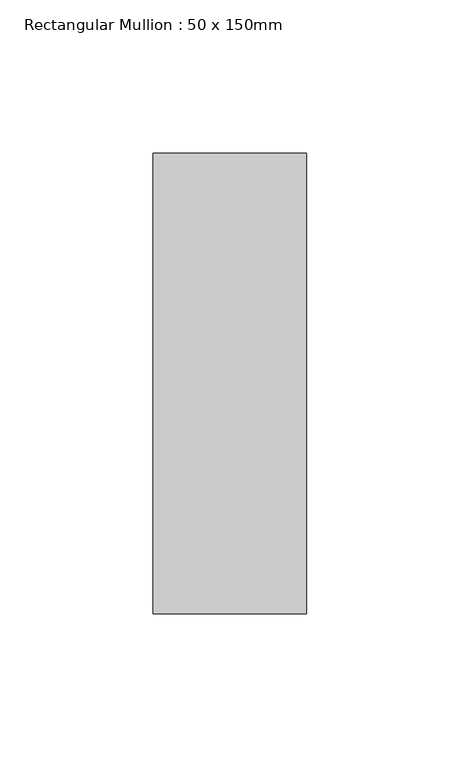
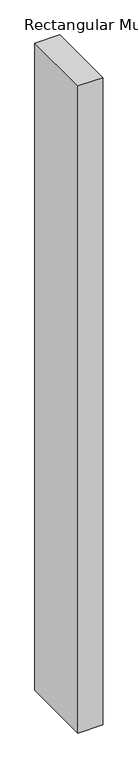
"""IFC4 building model written with IfcOpenShell, lengths in millimetres: member geometry, Rectangular Mullion : 50 x 150mm."""

import ifcopenshell
import ifcopenshell.guid

model = None  # the IFC model being written
_history = None  # IfcOwnerHistory: only IFC2X3 demands one
_inside = {}  # id of a spatial element -> (the spatial element, [elements in it])
_under = {}  # id of a project, library or spatial element -> (it, [spatial elements below it])
_declared = {}  # id of a project -> (the project, [libraries it declares])
_typed = {}  # id of a type object -> (the type object, [elements of that type])
_made_of = {}  # id of a material, layer set ... -> (it, [elements and type objects made of it])


def new_model(schema):
    """Start an empty IFC model of exactly this schema.

    Asked for "IFC4X3", IfcOpenShell would pick the latest addendum, in which some entities
    have other attributes; the version numbers below select the first issue.
    IFC2X3 requires an IfcOwnerHistory on every rooted entity: one is made here for all.
    """
    global model, _history
    if schema == "IFC4X3":
        model = ifcopenshell.file(schema_version=(4, 3, 0, 0))
    else:
        model = ifcopenshell.file(schema=schema)
    _inside.clear()
    _under.clear()
    _declared.clear()
    _typed.clear()
    _made_of.clear()
    _history = None
    if model.schema == "IFC2X3":
        org = make("IfcOrganization", Name="unknown")
        user = make(
            "IfcPersonAndOrganization",
            ThePerson=make("IfcPerson", FamilyName="unknown"),
            TheOrganization=org,
        )
        app = make(
            "IfcApplication",
            ApplicationDeveloper=org,
            Version="unknown",
            ApplicationFullName="unknown",
            ApplicationIdentifier="unknown",
        )
        _history = make(
            "IfcOwnerHistory",
            OwningUser=user,
            OwningApplication=app,
            ChangeAction="ADDED",
            CreationDate=0,
        )
    return model


def make(cls, **values):
    """One entity of the class cls with the attributes given. An attribute that is None is left unset."""
    return model.create_entity(
        cls, **{name: value for name, value in values.items() if value is not None}
    )


def rooted(cls, **values):
    """An entity with a GlobalId (a new one), such as an element, a storey or a relation."""
    return make(cls, GlobalId=ifcopenshell.guid.new(), OwnerHistory=_history, **values)


def si_unit(unit_type, name, prefix=None):
    """IfcSIUnit, for example si_unit("LENGTHUNIT", "METRE", prefix="MILLI")."""
    return make("IfcSIUnit", UnitType=unit_type, Prefix=prefix, Name=name)


def assignment(units):
    """IfcUnitAssignment: the units of a project."""
    return None if units is None else make("IfcUnitAssignment", Units=units)


def point(xyz):
    """IfcCartesianPoint."""
    return None if xyz is None else make("IfcCartesianPoint", Coordinates=xyz)


def direction(xyz):
    """IfcDirection."""
    return None if xyz is None else make("IfcDirection", DirectionRatios=xyz)


def frame(location, z_axis=None, x_axis=None):
    """IfcAxis2Placement3D, a coordinate frame: its origin and axes. An axis left out is left unset."""
    return make(
        "IfcAxis2Placement3D",
        Location=point(location),
        Axis=direction(z_axis),
        RefDirection=direction(x_axis),
    )


def origin():
    """The frame at (0, 0, 0) with its axes left unset."""
    return frame((0.0, 0.0, 0.0))


def place(relative_to, where):
    """IfcLocalPlacement: puts the frame where relative to a parent placement (None: the world)."""
    return make(
        "IfcLocalPlacement", PlacementRelTo=relative_to, RelativePlacement=where
    )


def context(
    kind, dimensions, precision=None, world=None, true_north=None, identifier=None
):
    """IfcGeometricRepresentationContext, for example the 3D "Model" context."""
    return make(
        "IfcGeometricRepresentationContext",
        ContextIdentifier=identifier,
        ContextType=kind,
        CoordinateSpaceDimension=dimensions,
        Precision=precision,
        WorldCoordinateSystem=world,
        TrueNorth=true_north,
    )


def project(units=None, contexts=None):
    """IfcProject with its units and contexts."""
    return rooted(
        "IfcProject",
        Name="project",
        RepresentationContexts=contexts,
        UnitsInContext=assignment(units),
    )


def spatial(cls, under=None, at=None, **own):
    """A site, building, storey or space (cls), placed at a placement, below another one or the project."""
    s = rooted(cls, ObjectPlacement=at, **own)
    if under is not None:
        _under.setdefault(under.id(), (under, []))[1].append(s)
    return s


def polyline(points):
    """IfcPolyline through the points."""
    return make("IfcPolyline", Points=[point(p) for p in points])


def outline(outer, holes=None, kind="AREA"):
    """IfcArbitraryClosedProfileDef: a profile drawn as a closed curve; with holes, ...WithVoids."""
    if holes is None:
        return make("IfcArbitraryClosedProfileDef", ProfileType=kind, OuterCurve=outer)
    return make(
        "IfcArbitraryProfileDefWithVoids",
        ProfileType=kind,
        OuterCurve=outer,
        InnerCurves=holes,
    )


def extrude(swept, where, along, depth):
    """IfcExtrudedAreaSolid: the profile swept, set in the frame where, extruded along a direction by depth."""
    return make(
        "IfcExtrudedAreaSolid",
        SweptArea=swept,
        Position=where,
        ExtrudedDirection=direction(along),
        Depth=depth,
    )


def shape(context_of_items, identifier, shape_type, items):
    """IfcShapeRepresentation: the items that make up one representation, for example the "Body"."""
    return make(
        "IfcShapeRepresentation",
        ContextOfItems=context_of_items,
        RepresentationIdentifier=identifier,
        RepresentationType=shape_type,
        Items=items,
    )


def source(mapping_origin, context_of_items, identifier, shape_type, items):
    """IfcRepresentationMap: a shape defined once, which mapped items show again and again."""
    return make(
        "IfcRepresentationMap",
        MappingOrigin=mapping_origin,
        MappedRepresentation=shape(context_of_items, identifier, shape_type, items),
    )


def transform(
    local_origin,
    x_axis=None,
    y_axis=None,
    z_axis=None,
    scale=None,
    scale2=None,
    scale3=None,
    uniform=True,
):
    """IfcCartesianTransformationOperator3D, or its non-uniform kind. x_axis, y_axis, z_axis: its Axis1, 2, 3."""
    if uniform:
        return make(
            "IfcCartesianTransformationOperator3D",
            Axis1=direction(x_axis),
            Axis2=direction(y_axis),
            LocalOrigin=point(local_origin),
            Scale=scale,
            Axis3=direction(z_axis),
        )
    return make(
        "IfcCartesianTransformationOperator3DnonUniform",
        Axis1=direction(x_axis),
        Axis2=direction(y_axis),
        LocalOrigin=point(local_origin),
        Scale=scale,
        Axis3=direction(z_axis),
        Scale2=scale2,
        Scale3=scale3,
    )


def mapped(mapping_source, mapping_target):
    """IfcMappedItem: shows the shape of a source again, moved by a transform."""
    return make(
        "IfcMappedItem", MappingSource=mapping_source, MappingTarget=mapping_target
    )


def made_of(thing, what):
    """Note that an element or type object is made of a material, layer set ...; save() writes the relation."""
    if what is not None:
        _made_of.setdefault(what.id(), (what, []))[1].append(thing)
    return thing


def element(
    cls,
    number,
    at=None,
    inside=None,
    cuts=None,
    type_object=None,
    material=None,
    context=None,
    identifier="Body",
    shape_type=None,
    held_by="IfcProductDefinitionShape",
    body=None,
    shapes=None,
    **own,
):
    """One element of the class cls, such as IfcWall. Its Tag is "e" and its number.

    at: its placement. inside: the storey or other place that contains it. cuts: it is an
    opening in that element (IfcRelVoidsElement). A single representation is given by context,
    identifier, shape_type and body (its items); several are given by shapes. held_by: the class
    of the entity that holds the representations. save() writes the other relations.
    """
    e = rooted(cls, Tag="e%d" % number, ObjectPlacement=at, **own)
    if body is not None:
        shapes = [shape(context, identifier, shape_type, body)]
    if shapes is not None:
        e.Representation = make(held_by, Representations=shapes)
    if inside is not None:
        _inside.setdefault(inside.id(), (inside, []))[1].append(e)
    if cuts is not None:
        rooted(
            "IfcRelVoidsElement", RelatingBuildingElement=cuts, RelatedOpeningElement=e
        )
    if type_object is not None:
        _typed.setdefault(type_object.id(), (type_object, []))[1].append(e)
    return made_of(e, material)


def aggregate(whole, parts):
    """IfcRelAggregates: a whole, such as a stair, and the parts it consists of."""
    return rooted("IfcRelAggregates", RelatingObject=whole, RelatedObjects=parts)


def save(model, path):
    """Write the relations noted so far, then the file.

    IfcRelAggregates (storeys below a building ...), IfcRelContainedInSpatialStructure (elements
    in a storey), IfcRelDefinesByType, IfcRelAssociatesMaterial and IfcRelDeclares: one each for
    every whole, place, type object, material and project.
    """
    for whole, parts in _under.values():
        aggregate(whole, parts)
    for where, things in _inside.values():
        rooted(
            "IfcRelContainedInSpatialStructure",
            RelatedElements=things,
            RelatingStructure=where,
        )
    for kind, things in _typed.values():
        rooted("IfcRelDefinesByType", RelatedObjects=things, RelatingType=kind)
    for what, things in _made_of.values():
        rooted("IfcRelAssociatesMaterial", RelatedObjects=things, RelatingMaterial=what)
    for by, libraries in _declared.values():
        rooted("IfcRelDeclares", RelatingContext=by, RelatedDefinitions=libraries)
    model.write(path)


def rectangular_mullion_50_x_150mm_bdea3084(model_context):
    return source(origin(), model_context, "Body", "SweptSolid", [
        extrude(outline(polyline([(25.0, 75.0), (25.0, -75.0), (-25.0, -75.0), (-25.0, 75.0), (25.0, 75.0)])), frame((0.0, 0.0, -1380.0), z_axis=(0.0, 0.0, 1.0), x_axis=(1.0, 0.0, 0.0)), (0.0, 0.0, 1.0), 1380.0),
    ])


if __name__ == "__main__":
    model = new_model("IFC4")
    model_context = context("Model", 3, world=origin())
    ifc_project = project(units=[si_unit("LENGTHUNIT", "METRE", prefix="MILLI")], contexts=[model_context])
    site = spatial("IfcSite", under=ifc_project)
    building = spatial("IfcBuilding", under=site)
    placement = place(None, origin())
    rectangular_mullion_50_x_150mm_shape = rectangular_mullion_50_x_150mm_bdea3084(model_context)
    element("IfcMember", 1, ObjectType="Rectangular Mullion : 50 x 150mm", at=placement, inside=building, context=model_context, shape_type="MappedRepresentation", body=[
        mapped(rectangular_mullion_50_x_150mm_shape, transform((0.0, 0.0, 0.0), x_axis=(1.0, 0.0, 0.0), y_axis=(0.0, 1.0, 0.0), z_axis=(0.0, 0.0, 1.0))),
    ])
    save(model, "model.ifc")
